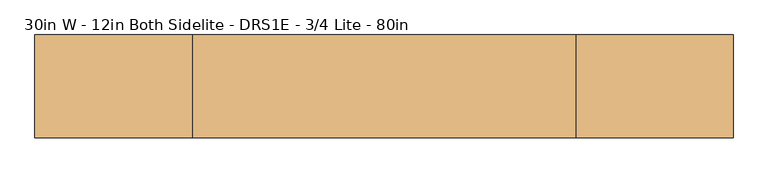
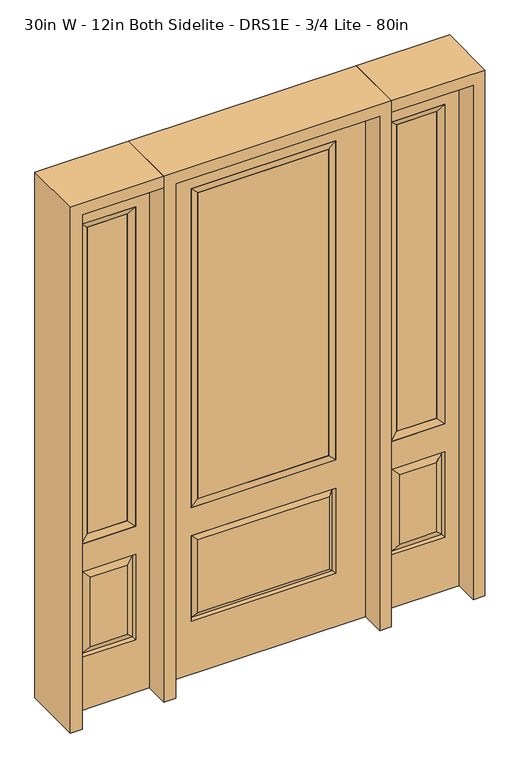
"""IFC4 building model written with IfcOpenShell, lengths in millimetres: door geometry, 30in W - 12in Both Sidelite - DRS1E - 3/4 Lite - 80in."""

from ifc_helpers import new_model, si_unit, frame, origin, place, context, project, spatial, polyline, outline, extrude, faceted_brep, source, transform, mapped, element, save


def door_30in_w_12in_both_sidelite_drs1e_3_4_lite_80in_c930fb0f(model_context):
    return source(origin(), model_context, "Body", "SolidModel", [
        faceted_brep([(425.45, -22.225, 0.0), (730.25, -22.225, 0.0), (730.25, -22.225, 2032.0), (425.45, -22.225, 2032.0), (678.18, -22.225, 1919.224), (678.18, -22.225, 657.098), (477.52, -22.225, 657.098), (477.52, -22.225, 1919.224), (678.18, -22.225, 209.55), (477.52, -22.225, 209.55), (477.52, -22.225, 546.1), (678.18, -22.225, 546.1), (509.2351001, -22.225, 241.2651001), (646.4648999, -22.225, 241.2651001), (646.4648999, -22.225, 514.3848999), (509.2351001, -22.225, 514.3848999), (425.45, 22.225, 0.0), (425.45, 22.225, 2032.0), (730.25, 22.225, 2032.0), (730.25, 22.225, 0.0), (678.18, 22.225, 1919.224), (477.52, 22.225, 1919.224), (477.52, 22.225, 657.098), (678.18, 22.225, 657.098), (477.52, 22.225, 209.55), (678.18, 22.225, 209.55), (678.18, 22.225, 546.1), (477.52, 22.225, 546.1), (646.4648999, 22.225, 241.2651001), (509.2351001, 22.225, 241.2651001), (509.2351001, 22.225, 514.3848999), (646.4648999, 22.225, 514.3848999), (671.0711499, 12.7912373, 216.6588501), (484.6288501, 12.7912373, 216.6588501), (484.6288501, 12.7912373, 538.9911499), (671.0711499, 12.7912373, 538.9911499), (484.6288501, -12.7912373, 216.6588501), (671.0711499, -12.7912373, 216.6588501), (484.6288501, -12.7912373, 538.9911499), (671.0711499, -12.7912373, 538.9911499)], [[[0, 1, 2, 3], [4, 5, 6, 7], [8, 9, 10, 11]], [[12, 13, 14, 15]], [[16, 17, 18, 19], [20, 21, 22, 23], [24, 25, 26, 27]], [[28, 29, 30, 31]], [[1, 0, 16, 19]], [[2, 1, 19, 18]], [[3, 2, 18, 17]], [[0, 3, 17, 16]], [[5, 4, 20, 23]], [[6, 5, 23, 22]], [[7, 6, 22, 21]], [[4, 7, 21, 20]], [[32, 33, 29, 28]], [[33, 32, 25, 24]], [[29, 33, 34, 30]], [[33, 24, 27, 34]], [[30, 34, 35, 31]], [[34, 27, 26, 35]], [[32, 28, 31, 35]], [[25, 32, 35, 26]], [[12, 36, 37, 13]], [[37, 36, 9, 8]], [[36, 12, 15, 38]], [[9, 36, 38, 10]], [[38, 15, 14, 39]], [[10, 38, 39, 11]], [[13, 37, 39, 14]], [[37, 8, 11, 39]]]),
        faceted_brep([(477.52, 22.225, 1919.224), (477.52, -22.225, 1919.224), (678.18, -22.225, 1919.224), (678.18, 22.225, 1919.224), (502.92, 12.7, 1893.824), (652.78, 12.7, 1893.824), (502.92, -12.7, 1893.824), (652.78, -12.7, 1893.824), (678.18, -22.225, 657.098), (678.18, 22.225, 657.098), (652.78, 12.7, 682.498), (652.78, -12.7, 682.498), (477.52, -22.225, 657.098), (477.52, 22.225, 657.098), (502.92, 12.7, 682.498), (502.92, -12.7, 682.498)], [[[0, 1, 2, 3]], [[4, 0, 3, 5]], [[6, 4, 5, 7]], [[1, 6, 7, 2]], [[3, 2, 8, 9]], [[5, 3, 9, 10]], [[7, 5, 10, 11]], [[2, 7, 11, 8]], [[9, 8, 12, 13]], [[10, 9, 13, 14]], [[11, 10, 14, 15]], [[8, 11, 15, 12]], [[13, 12, 1, 0]], [[14, 13, 0, 4]], [[15, 14, 4, 6]], [[12, 15, 6, 1]]]),
        extrude(outline(polyline([(652.78, -12.7), (502.92, -12.7), (502.92, 12.7), (652.78, 12.7), (652.78, -12.7)])), frame((0.0, 0.0, 682.498), z_axis=(0.0, 0.0, 1.0), x_axis=(1.0, 0.0, 0.0)), (0.0, 0.0, 1.0), 1211.326),
        faceted_brep([(-730.25, -22.225, 0.0), (-425.45, -22.225, 0.0), (-425.45, -22.225, 2032.0), (-730.25, -22.225, 2032.0), (-477.52, -22.225, 1919.224), (-477.52, -22.225, 657.098), (-678.18, -22.225, 657.098), (-678.18, -22.225, 1919.224), (-477.52, -22.225, 209.55), (-678.18, -22.225, 209.55), (-678.18, -22.225, 546.1), (-477.52, -22.225, 546.1), (-646.4648999, -22.225, 241.2651001), (-509.2351001, -22.225, 241.2651001), (-509.2351001, -22.225, 514.3848999), (-646.4648999, -22.225, 514.3848999), (-730.25, 22.225, 0.0), (-730.25, 22.225, 2032.0), (-425.45, 22.225, 2032.0), (-425.45, 22.225, 0.0), (-477.52, 22.225, 1919.224), (-678.18, 22.225, 1919.224), (-678.18, 22.225, 657.098), (-477.52, 22.225, 657.098), (-678.18, 22.225, 209.55), (-477.52, 22.225, 209.55), (-477.52, 22.225, 546.1), (-678.18, 22.225, 546.1), (-509.2351001, 22.225, 241.2651001), (-646.4648999, 22.225, 241.2651001), (-646.4648999, 22.225, 514.3848999), (-509.2351001, 22.225, 514.3848999), (-484.6288501, 12.7912373, 216.6588501), (-671.0711499, 12.7912373, 216.6588501), (-671.0711499, 12.7912373, 538.9911499), (-484.6288501, 12.7912373, 538.9911499), (-671.0711499, -12.7912373, 216.6588501), (-484.6288501, -12.7912373, 216.6588501), (-671.0711499, -12.7912373, 538.9911499), (-484.6288501, -12.7912373, 538.9911499)], [[[0, 1, 2, 3], [4, 5, 6, 7], [8, 9, 10, 11]], [[12, 13, 14, 15]], [[16, 17, 18, 19], [20, 21, 22, 23], [24, 25, 26, 27]], [[28, 29, 30, 31]], [[1, 0, 16, 19]], [[2, 1, 19, 18]], [[3, 2, 18, 17]], [[0, 3, 17, 16]], [[5, 4, 20, 23]], [[6, 5, 23, 22]], [[7, 6, 22, 21]], [[4, 7, 21, 20]], [[32, 33, 29, 28]], [[33, 32, 25, 24]], [[29, 33, 34, 30]], [[33, 24, 27, 34]], [[30, 34, 35, 31]], [[34, 27, 26, 35]], [[32, 28, 31, 35]], [[25, 32, 35, 26]], [[12, 36, 37, 13]], [[37, 36, 9, 8]], [[36, 12, 15, 38]], [[9, 36, 38, 10]], [[38, 15, 14, 39]], [[10, 38, 39, 11]], [[13, 37, 39, 14]], [[37, 8, 11, 39]]]),
        faceted_brep([(-678.18, 22.225, 1919.224), (-678.18, -22.225, 1919.224), (-477.52, -22.225, 1919.224), (-477.52, 22.225, 1919.224), (-652.78, 12.7, 1893.824), (-502.92, 12.7, 1893.824), (-652.78, -12.7, 1893.824), (-502.92, -12.7, 1893.824), (-477.52, -22.225, 657.098), (-477.52, 22.225, 657.098), (-502.92, 12.7, 682.498), (-502.92, -12.7, 682.498), (-678.18, -22.225, 657.098), (-678.18, 22.225, 657.098), (-652.78, 12.7, 682.498), (-652.78, -12.7, 682.498)], [[[0, 1, 2, 3]], [[4, 0, 3, 5]], [[6, 4, 5, 7]], [[1, 6, 7, 2]], [[3, 2, 8, 9]], [[5, 3, 9, 10]], [[7, 5, 10, 11]], [[2, 7, 11, 8]], [[9, 8, 12, 13]], [[10, 9, 13, 14]], [[11, 10, 14, 15]], [[8, 11, 15, 12]], [[13, 12, 1, 0]], [[14, 13, 0, 4]], [[15, 14, 4, 6]], [[12, 15, 6, 1]]]),
        extrude(outline(polyline([(-502.92, -12.7), (-652.78, -12.7), (-652.78, 12.7), (-502.92, 12.7), (-502.92, -12.7)])), frame((0.0, 0.0, 682.498), z_axis=(0.0, 0.0, 1.0), x_axis=(1.0, 0.0, 0.0)), (0.0, 0.0, 1.0), 1211.326),
        faceted_brep([(-262.7661499, -12.7912373, 216.6588501), (262.7661499, -12.7912373, 216.6588501), (245.26875, -22.225, 234.15625), (-245.26875, -22.225, 234.15625), (-269.875, -22.225, 209.55), (269.875, -22.225, 209.55), (-262.7661499, -12.7912373, 538.9911499), (-269.875, -22.225, 546.1), (245.26875, -22.225, 521.49375), (-245.26875, -22.225, 521.49375), (381.0, -22.225, 2032.0), (-381.0, -22.225, 2032.0), (-381.0, -22.225, 0.0), (381.0, -22.225, 0.0), (269.875, -22.225, 546.1), (269.875, -22.225, 1917.7), (269.875, -22.225, 657.098), (-269.875, -22.225, 657.098), (-269.875, -22.225, 1917.7), (262.7661499, -12.7912373, 538.9911499), (-381.0, 22.225, 2032.0), (-381.0, 22.225, 0.0), (381.0, 22.225, 0.0), (381.0, 22.225, 2032.0), (269.875, 22.225, 1917.7), (269.875, 22.225, 657.098), (-269.875, 22.225, 657.098), (-269.875, 22.225, 1917.7), (-269.875, 22.225, 209.55), (269.875, 22.225, 209.55), (269.875, 22.225, 546.1), (-269.875, 22.225, 546.1), (245.26875, 22.225, 234.15625), (-245.26875, 22.225, 234.15625), (-245.26875, 22.225, 521.49375), (245.26875, 22.225, 521.49375), (-262.7661499, 12.7912373, 216.6588501), (262.7661499, 12.7912373, 216.6588501), (262.7661499, 12.7912373, 538.9911499), (-262.7661499, 12.7912373, 538.9911499)], [[[0, 1, 2, 3]], [[1, 0, 4, 5]], [[4, 0, 6, 7]], [[3, 2, 8, 9]], [[10, 11, 12, 13], [5, 4, 7, 14], [15, 16, 17, 18]], [[1, 5, 14, 19]], [[2, 1, 19, 8]], [[0, 3, 9, 6]], [[7, 6, 19, 14]], [[6, 9, 8, 19]], [[12, 11, 20, 21]], [[13, 12, 21, 22]], [[10, 13, 22, 23]], [[16, 15, 24, 25]], [[17, 16, 25, 26]], [[18, 17, 26, 27]], [[23, 22, 21, 20], [28, 29, 30, 31], [24, 27, 26, 25]], [[32, 33, 34, 35]], [[28, 36, 37, 29]], [[29, 37, 38, 30]], [[39, 31, 30, 38]], [[36, 28, 31, 39]], [[37, 36, 33, 32]], [[33, 36, 39, 34]], [[34, 39, 38, 35]], [[37, 32, 35, 38]], [[11, 10, 23, 20]], [[15, 18, 27, 24]]]),
        faceted_brep([(-269.875, -22.225, 1917.7), (-269.875, 22.225, 1917.7), (-269.875, 22.225, 657.098), (-269.875, -22.225, 657.098), (269.875, 22.225, 657.098), (269.875, -22.225, 657.098), (-244.475, 5.08, 682.498), (244.475, 5.08, 682.498), (269.875, 22.225, 1917.7), (269.875, -22.225, 1917.7), (-244.475, -20.32, 682.498), (244.475, -20.32, 682.498), (-244.475, -20.32, 1892.3), (244.475, -20.32, 1892.3), (-244.475, 5.08, 1892.3), (244.475, 5.08, 1892.3)], [[[0, 1, 2, 3]], [[3, 2, 4, 5]], [[2, 6, 7, 4]], [[5, 4, 8, 9]], [[10, 3, 5, 11]], [[12, 0, 3, 10]], [[11, 5, 9, 13]], [[6, 10, 11, 7]], [[14, 12, 10, 6]], [[7, 11, 13, 15]], [[1, 14, 6, 2]], [[4, 7, 15, 8]], [[9, 8, 1, 0]], [[13, 9, 0, 12]], [[15, 13, 12, 14]], [[8, 15, 14, 1]]]),
        extrude(outline(polyline([(244.475, -20.32), (-244.475, -20.32), (-244.475, 5.08), (244.475, 5.08), (244.475, -20.32)])), frame((0.0, 0.0, 682.498), z_axis=(0.0, 0.0, 1.0), x_axis=(1.0, 0.0, 0.0)), (0.0, 0.0, 1.0), 1209.802),
        extrude(outline(polyline([(2032.0, -425.45), (2076.45, -425.45), (2076.45, -774.7), (0.0, -774.7), (0.0, -730.25), (2032.0, -730.25), (2032.0, -425.45)])), frame((0.0, -114.3, 0.0), z_axis=(0.0, 1.0, 0.0), x_axis=(0.0, 0.0, 1.0)), (0.0, 0.0, 1.0), 228.6),
        extrude(outline(polyline([(2076.45, -425.45), (0.0, -425.45), (0.0, -381.0), (2032.0, -381.0), (2032.0, 381.0), (0.0, 381.0), (0.0, 425.45), (2076.45, 425.45), (2076.45, -425.45)])), frame((0.0, -114.3, 0.0), z_axis=(0.0, 1.0, 0.0), x_axis=(0.0, 0.0, 1.0)), (0.0, 0.0, 1.0), 228.6),
        extrude(outline(polyline([(0.0, 730.25), (0.0, 774.7), (2076.45, 774.7), (2076.45, 425.45), (2032.0, 425.45), (2032.0, 730.25), (0.0, 730.25)])), frame((0.0, -114.3, 0.0), z_axis=(0.0, 1.0, 0.0), x_axis=(0.0, 0.0, 1.0)), (0.0, 0.0, 1.0), 228.6),
    ])


if __name__ == "__main__":
    model = new_model("IFC4")
    model_context = context("Model", 3, world=origin())
    ifc_project = project(units=[si_unit("LENGTHUNIT", "METRE", prefix="MILLI")], contexts=[model_context])
    site = spatial("IfcSite", under=ifc_project)
    building = spatial("IfcBuilding", under=site)
    placement = place(None, origin())
    door_30in_w_12in_both_sidelite_drs1e_3_4_lite_80in_shape = door_30in_w_12in_both_sidelite_drs1e_3_4_lite_80in_c930fb0f(model_context)
    element("IfcDoor", 1, ObjectType="30in W - 12in Both Sidelite - DRS1E - 3/4 Lite - 80in", at=placement, inside=building, context=model_context, shape_type="MappedRepresentation", body=[
        mapped(door_30in_w_12in_both_sidelite_drs1e_3_4_lite_80in_shape, transform((0.0, 0.0, 0.0), x_axis=(1.0, 0.0, 0.0), y_axis=(0.0, 1.0, 0.0), z_axis=(0.0, 0.0, 1.0))),
    ])
    save(model, "model.ifc")
